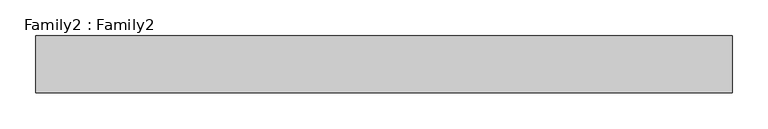
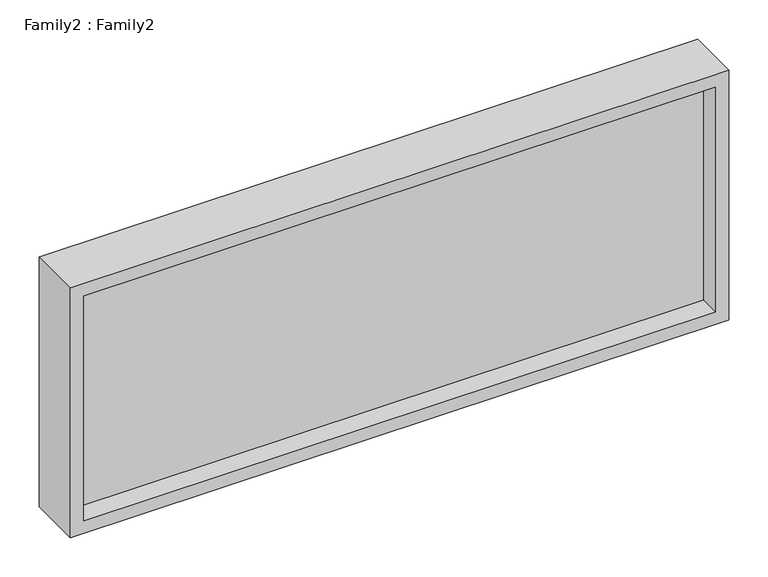
"""IFC4 building model written with IfcOpenShell, lengths in millimetres: plate geometry, Family2 : Family2."""

from ifc_helpers import new_model, si_unit, frame, origin, place, context, project, spatial, polyline, outline, extrude, source, transform, mapped, element, save


def family2_family2_0e9d2d32(model_context):
    return source(origin(), model_context, "Body", "SweptSolid", [
        extrude(outline(polyline([(391.6666667, -487.5), (0.0, -487.5), (0.0, 487.5), (391.6666667, 487.5), (391.6666667, -487.5)]), holes=[polyline([(20.0, -467.5), (371.6666667, -467.5), (371.6666667, 467.5), (20.0, 467.5), (20.0, -467.5)])]), frame((0.0, -40.0, 0.0), z_axis=(0.0, 1.0, 0.0), x_axis=(0.0, 0.0, 1.0)), (0.0, 0.0, 1.0), 80.0),
        extrude(outline(polyline([(467.5, 10.0), (467.5, -10.0), (-467.5, -10.0), (-467.5, 10.0), (467.5, 10.0)])), frame((0.0, 0.0, 20.0), z_axis=(0.0, 0.0, 1.0), x_axis=(1.0, 0.0, 0.0)), (0.0, 0.0, 1.0), 351.6666667),
    ])


if __name__ == "__main__":
    model = new_model("IFC4")
    model_context = context("Model", 3, world=origin())
    ifc_project = project(units=[si_unit("LENGTHUNIT", "METRE", prefix="MILLI")], contexts=[model_context])
    site = spatial("IfcSite", under=ifc_project)
    building = spatial("IfcBuilding", under=site)
    placement = place(None, origin())
    family2_family2_shape = family2_family2_0e9d2d32(model_context)
    element("IfcPlate", 1, ObjectType="Family2 : Family2", at=placement, inside=building, context=model_context, shape_type="MappedRepresentation", body=[
        mapped(family2_family2_shape, transform((0.0, 0.0, 0.0), x_axis=(1.0, 0.0, 0.0), y_axis=(0.0, 1.0, 0.0), z_axis=(0.0, 0.0, 1.0))),
    ])
    save(model, "model.ifc")
